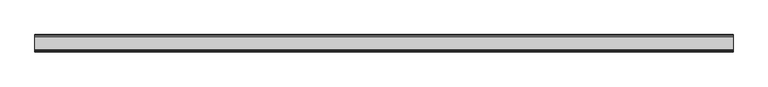
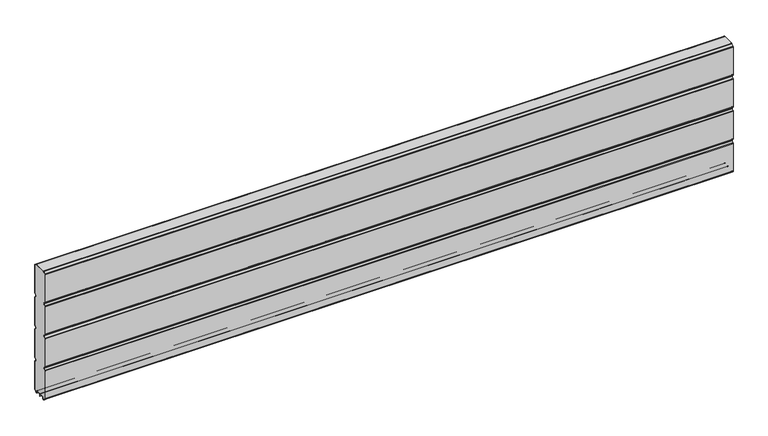
"""IFC4 building model written with IfcOpenShell, lengths in millimetres: plate geometry."""

from ifc_helpers import new_model, si_unit, point, frame, frame_2d, origin, place, context, project, spatial, polyline, circle_curve, trimmed, segment, composite_curve, outline, extrude, source, transform, mapped, element, save


def plate_e9997d68(model_context):
    return source(origin(), model_context, "Body", "SweptSolid", [
        extrude(outline(composite_curve([segment(polyline([(-29.2650466, 451.7624879), (-35.7138292, 458.2112702)]), True, "CONTINUOUS"), segment(trimmed(circle_curve(frame_2d((-34.2991913, 459.6259081)), 2.0006001), [point((-35.7138292, 458.2112702))], [point((-36.2997914, 459.6259081))], False, "CARTESIAN"), True, "CONTINUOUS"), segment(polyline([(-36.2997914, 459.6259081), (-36.2997914, 588.874925)]), True, "CONTINUOUS"), segment(trimmed(circle_curve(frame_2d((-34.3025404, 588.8763112)), 1.9972515), [point((-36.2997914, 588.874925))], [point((-35.7145328, 590.2888589))], False, "CARTESIAN"), True, "CONTINUOUS"), segment(polyline([(-35.7145328, 590.2888589), (-27.7860861, 598.2141893)]), True, "CONTINUOUS"), segment(trimmed(circle_curve(frame_2d((-26.3717262, 596.7992733)), 2.0006002), [point((-27.7860861, 598.2141893))], [point((-26.3717262, 598.7998734))], False, "CARTESIAN"), True, "CONTINUOUS"), segment(polyline([(-26.3717262, 598.7998734), (26.3717262, 598.7998734)]), True, "CONTINUOUS"), segment(trimmed(circle_curve(frame_2d((26.3717262, 596.7992733)), 2.0006002), [point((26.3717262, 598.7998734))], [point((27.7860861, 598.2141893))], False, "CARTESIAN"), True, "CONTINUOUS"), segment(polyline([(27.7860861, 598.2141893), (35.7145328, 590.2888589)]), True, "CONTINUOUS"), segment(trimmed(circle_curve(frame_2d((34.3025404, 588.8763112)), 1.9972515), [point((35.7145328, 590.2888589))], [point((36.2997914, 588.874925))], False, "CARTESIAN"), True, "CONTINUOUS"), segment(polyline([(36.2997914, 588.874925), (36.2997914, 459.6259081)]), True, "CONTINUOUS"), segment(trimmed(circle_curve(frame_2d((34.2991913, 459.6259081)), 2.0006001), [point((36.2997914, 459.6259081))], [point((35.7138292, 458.2112702))], False, "CARTESIAN"), True, "CONTINUOUS"), segment(polyline([(35.7138292, 458.2112702), (29.2650466, 451.7624879)]), True, "CONTINUOUS"), segment(trimmed(circle_curve(frame_2d((31.5325895, 449.4949449)), 3.20679), [point((29.2650466, 451.7624879))], [point((29.114664, 447.3884934))], True, "CARTESIAN"), True, "CONTINUOUS"), segment(polyline([(29.114664, 447.3884934), (35.7138291, 440.7893285)]), True, "CONTINUOUS"), segment(trimmed(circle_curve(frame_2d((34.2991912, 439.3746906)), 2.0006001), [point((35.7138291, 440.7893285))], [point((36.2997913, 439.3746906))], False, "CARTESIAN"), True, "CONTINUOUS"), segment(polyline([(36.2997913, 439.3746906), (36.2997913, 309.6259081)]), True, "CONTINUOUS"), segment(trimmed(circle_curve(frame_2d((34.2991912, 309.6259081)), 2.0006001), [point((36.2997913, 309.6259081))], [point((35.7138291, 308.2112702))], False, "CARTESIAN"), True, "CONTINUOUS"), segment(polyline([(35.7138291, 308.2112702), (29.2650466, 301.7624879)]), True, "CONTINUOUS"), segment(trimmed(circle_curve(frame_2d((31.5325895, 299.4949449)), 3.20679), [point((29.2650466, 301.7624879))], [point((29.4261379, 297.0770195))], True, "CARTESIAN"), True, "CONTINUOUS"), segment(polyline([(29.4261379, 297.0770195), (35.7138291, 290.7893285)]), True, "CONTINUOUS"), segment(trimmed(circle_curve(frame_2d((34.2991912, 289.3746906)), 2.0006001), [point((35.7138291, 290.7893285))], [point((36.2997913, 289.3746906))], False, "CARTESIAN"), True, "CONTINUOUS"), segment(polyline([(36.2997913, 289.3746906), (36.2997913, 159.6246474)]), True, "CONTINUOUS"), segment(trimmed(circle_curve(frame_2d((34.2991912, 159.6246474)), 2.0006001), [point((36.2997913, 159.6246474))], [point((35.7138291, 158.2100095))], False, "CARTESIAN"), True, "CONTINUOUS"), segment(polyline([(35.7138291, 158.2100095), (29.2650466, 151.7612271)]), True, "CONTINUOUS"), segment(trimmed(circle_curve(frame_2d((31.5325895, 149.4936842)), 3.20679), [point((29.2650466, 151.7612271))], [point((29.114664, 147.3872326))], True, "CARTESIAN"), True, "CONTINUOUS"), segment(polyline([(29.114664, 147.3872326), (35.7138292, 140.7880678)]), True, "CONTINUOUS"), segment(trimmed(circle_curve(frame_2d((34.2991912, 139.3734299)), 2.0006001), [point((35.7138292, 140.7880678))], [point((36.2997914, 139.3734299))], False, "CARTESIAN"), True, "CONTINUOUS"), segment(polyline([(36.2997914, 139.3734299), (36.2997914, 10.1250796)]), True, "CONTINUOUS"), segment(trimmed(circle_curve(frame_2d((34.299192, 10.1250796)), 2.0005994), [point((36.2997914, 10.1250796))], [point((35.7138294, 8.7104422))], False, "CARTESIAN"), True, "CONTINUOUS"), segment(polyline([(35.7138294, 8.7104422), (28.7893255, 1.7859383)]), True, "CONTINUOUS"), segment(trimmed(circle_curve(frame_2d((27.3158157, 3.2594482)), 2.0838576), [point((28.7893255, 1.7859383))], [point((25.2327947, 3.2004014))], False, "CARTESIAN"), True, "CONTINUOUS"), segment(polyline([(25.2327947, 3.2004014), (25.2327947, 7.9999453)]), True, "CONTINUOUS"), segment(trimmed(circle_curve(frame_2d((22.0323933, 7.9999453)), 3.2004014), [point((25.2327947, 7.9999453))], [point((22.0323933, 11.2003467))], True, "CARTESIAN"), True, "CONTINUOUS"), segment(polyline([(22.0323933, 11.2003467), (3.1993432, 11.2003467)]), True, "CONTINUOUS"), segment(trimmed(circle_curve(frame_2d((3.1993432, 8.0010035)), 3.1993432), [point((3.1993432, 11.2003467))], [point((0.0, 8.0010035))], True, "CARTESIAN"), True, "CONTINUOUS"), segment(trimmed(circle_curve(frame_2d((-3.1993432, 8.0010035)), 3.1993432), [point((0.0, 8.0010035))], [point((-3.1993432, 11.2003467))], True, "CARTESIAN"), True, "CONTINUOUS"), segment(polyline([(-3.1993432, 11.2003467), (-22.0323933, 11.2003467)]), True, "CONTINUOUS"), segment(trimmed(circle_curve(frame_2d((-22.0323933, 7.9999453)), 3.2004014), [point((-22.0323933, 11.2003467))], [point((-25.2327947, 7.9999453))], True, "CARTESIAN"), True, "CONTINUOUS"), segment(polyline([(-25.2327947, 7.9999453), (-25.2327947, 3.2004014)]), True, "CONTINUOUS"), segment(trimmed(circle_curve(frame_2d((-27.3158157, 3.2594482)), 2.0838576), [point((-25.2327947, 3.2004014))], [point((-28.7893255, 1.7859383))], False, "CARTESIAN"), True, "CONTINUOUS"), segment(polyline([(-28.7893255, 1.7859383), (-35.7138294, 8.7104422)]), True, "CONTINUOUS"), segment(trimmed(circle_curve(frame_2d((-34.299192, 10.1250796)), 2.0005994), [point((-35.7138294, 8.7104422))], [point((-36.2997914, 10.1250796))], False, "CARTESIAN"), True, "CONTINUOUS"), segment(polyline([(-36.2997914, 10.1250796), (-36.2997914, 139.3734299)]), True, "CONTINUOUS"), segment(trimmed(circle_curve(frame_2d((-34.2991912, 139.3734299)), 2.0006001), [point((-36.2997914, 139.3734299))], [point((-35.7138292, 140.7880678))], False, "CARTESIAN"), True, "CONTINUOUS"), segment(polyline([(-35.7138292, 140.7880678), (-29.114664, 147.3872326)]), True, "CONTINUOUS"), segment(trimmed(circle_curve(frame_2d((-31.5325895, 149.4936842)), 3.20679), [point((-29.114664, 147.3872326))], [point((-29.2650466, 151.7612271))], True, "CARTESIAN"), True, "CONTINUOUS"), segment(polyline([(-29.2650466, 151.7612271), (-35.7138291, 158.2100095)]), True, "CONTINUOUS"), segment(trimmed(circle_curve(frame_2d((-34.2991912, 159.6246474)), 2.0006001), [point((-35.7138291, 158.2100095))], [point((-36.2997913, 159.6246474))], False, "CARTESIAN"), True, "CONTINUOUS"), segment(polyline([(-36.2997913, 159.6246474), (-36.2997913, 289.3746906)]), True, "CONTINUOUS"), segment(trimmed(circle_curve(frame_2d((-34.2991912, 289.3746906)), 2.0006001), [point((-36.2997913, 289.3746906))], [point((-35.7138291, 290.7893285))], False, "CARTESIAN"), True, "CONTINUOUS"), segment(polyline([(-35.7138291, 290.7893285), (-29.4261379, 297.0770195)]), True, "CONTINUOUS"), segment(trimmed(circle_curve(frame_2d((-31.5325895, 299.4949449)), 3.20679), [point((-29.4261379, 297.0770195))], [point((-29.2650466, 301.7624879))], True, "CARTESIAN"), True, "CONTINUOUS"), segment(polyline([(-29.2650466, 301.7624879), (-35.7138291, 308.2112702)]), True, "CONTINUOUS"), segment(trimmed(circle_curve(frame_2d((-34.2991912, 309.6259081)), 2.0006001), [point((-35.7138291, 308.2112702))], [point((-36.2997913, 309.6259081))], False, "CARTESIAN"), True, "CONTINUOUS"), segment(polyline([(-36.2997913, 309.6259081), (-36.2997913, 439.3746906)]), True, "CONTINUOUS"), segment(trimmed(circle_curve(frame_2d((-34.2991912, 439.3746906)), 2.0006001), [point((-36.2997913, 439.3746906))], [point((-35.7138291, 440.7893285))], False, "CARTESIAN"), True, "CONTINUOUS"), segment(polyline([(-35.7138291, 440.7893285), (-29.114664, 447.3884934)]), True, "CONTINUOUS"), segment(trimmed(circle_curve(frame_2d((-31.5325895, 449.4949449)), 3.20679), [point((-29.114664, 447.3884934))], [point((-29.2650466, 451.7624879))], True, "CARTESIAN"), True, "CONTINUOUS")], self_intersect=False)), frame((-1516.85, 0.0, 0.0), z_axis=(1.0, 0.0, 0.0), x_axis=(0.0, 1.0, 0.0)), (0.0, 0.0, 1.0), 3033.7),
        extrude(outline(composite_curve([segment(trimmed(circle_curve(frame_2d((-34.299418, 588.8742584)), 3.200524), [point((-37.499942, 588.8742584))], [point((-36.5622582, 591.1376426))], False, "CARTESIAN"), True, "CONTINUOUS"), segment(polyline([(-36.5622582, 591.1376426), (-28.6355395, 599.0624563)]), True, "CONTINUOUS"), segment(trimmed(circle_curve(frame_2d((-26.3720296, 596.7984023)), 3.2014711), [point((-28.6355395, 599.0624563))], [point((-26.3720296, 599.9998734))], False, "CARTESIAN"), True, "CONTINUOUS"), segment(polyline([(-26.3720296, 599.9998734), (26.3720296, 599.9998734)]), True, "CONTINUOUS"), segment(trimmed(circle_curve(frame_2d((26.3720296, 596.7984023)), 3.2014711), [point((26.3720296, 599.9998734))], [point((28.6355395, 599.0624563))], False, "CARTESIAN"), True, "CONTINUOUS"), segment(polyline([(28.6355395, 599.0624563), (36.5622582, 591.1376426)]), True, "CONTINUOUS"), segment(trimmed(circle_curve(frame_2d((34.299418, 588.8742584)), 3.200524), [point((36.5622582, 591.1376426))], [point((37.499942, 588.8742584))], False, "CARTESIAN"), True, "CONTINUOUS"), segment(polyline([(37.499942, 588.8742584), (37.499942, 459.6259081)]), True, "CONTINUOUS"), segment(trimmed(circle_curve(frame_2d((34.3010265, 459.6259081)), 3.1989155), [point((37.499942, 459.6259081))], [point((36.5630013, 457.3639333))], False, "CARTESIAN"), True, "CONTINUOUS"), segment(polyline([(36.5630013, 457.3639333), (30.1138303, 450.9147625)]), True, "CONTINUOUS"), segment(trimmed(circle_curve(frame_2d((31.5282934, 449.5002993)), 2.000353), [point((30.1138303, 450.9147625))], [point((30.1138303, 448.0858362))], True, "CARTESIAN"), True, "CONTINUOUS"), segment(polyline([(30.1138303, 448.0858362), (36.5630013, 441.6366654)]), True, "CONTINUOUS"), segment(trimmed(circle_curve(frame_2d((34.3010265, 439.3746906)), 3.1989154), [point((36.5630013, 441.6366654))], [point((37.4999419, 439.3746906))], False, "CARTESIAN"), True, "CONTINUOUS"), segment(polyline([(37.4999419, 439.3746906), (37.4999419, 309.6259081)]), True, "CONTINUOUS"), segment(trimmed(circle_curve(frame_2d((34.3010265, 309.6259081)), 3.1989154), [point((37.4999419, 309.6259081))], [point((36.5630013, 307.3639333))], False, "CARTESIAN"), True, "CONTINUOUS"), segment(polyline([(36.5630013, 307.3639333), (30.1138303, 300.9147625)]), True, "CONTINUOUS"), segment(trimmed(circle_curve(frame_2d((31.5282934, 299.5002993)), 2.000353), [point((30.1138303, 300.9147625))], [point((30.1138303, 298.0858362))], True, "CARTESIAN"), True, "CONTINUOUS"), segment(polyline([(30.1138303, 298.0858362), (36.5630013, 291.6366654)]), True, "CONTINUOUS"), segment(trimmed(circle_curve(frame_2d((34.3010265, 289.3746906)), 3.1989154), [point((36.5630013, 291.6366654))], [point((37.4999419, 289.3746906))], False, "CARTESIAN"), True, "CONTINUOUS"), segment(polyline([(37.4999419, 289.3746906), (37.4999419, 159.6246474)]), True, "CONTINUOUS"), segment(trimmed(circle_curve(frame_2d((34.3010265, 159.6246474)), 3.1989154), [point((37.4999419, 159.6246474))], [point((36.5630013, 157.3626726))], False, "CARTESIAN"), True, "CONTINUOUS"), segment(polyline([(36.5630013, 157.3626726), (30.1138303, 150.9135018)]), True, "CONTINUOUS"), segment(trimmed(circle_curve(frame_2d((31.5282934, 149.4990386)), 2.000353), [point((30.1138303, 150.9135018))], [point((30.1138303, 148.0845755))], True, "CARTESIAN"), True, "CONTINUOUS"), segment(polyline([(30.1138303, 148.0845755), (36.5630013, 141.6354046)]), True, "CONTINUOUS"), segment(trimmed(circle_curve(frame_2d((34.3010265, 139.3734298)), 3.1989154), [point((36.5630013, 141.6354046))], [point((37.4999419, 139.3734298))], False, "CARTESIAN"), True, "CONTINUOUS"), segment(polyline([(37.4999419, 139.3734298), (37.4999419, 10.1250796)]), True, "CONTINUOUS"), segment(trimmed(circle_curve(frame_2d((34.3010265, 10.1250796)), 3.1989154), [point((37.4999419, 10.1250796))], [point((36.5630004, 7.8631039))], False, "CARTESIAN"), True, "CONTINUOUS"), segment(polyline([(36.5630004, 7.8631039), (29.6332576, 0.9333666)]), True, "CONTINUOUS"), segment(trimmed(circle_curve(frame_2d((27.311397, 3.255229)), 3.283608), [point((29.6332576, 0.9333666))], [point((24.0283217, 3.1960843))], False, "CARTESIAN"), True, "CONTINUOUS"), segment(polyline([(24.0283217, 3.1960843), (24.0326442, 7.9999453)]), True, "CONTINUOUS"), segment(trimmed(circle_curve(frame_2d((22.0341915, 8.0017435)), 1.9984535), [point((24.0326442, 7.9999453))], [point((22.0323933, 10.0001962))], True, "CARTESIAN"), True, "CONTINUOUS"), segment(polyline([(22.0323933, 10.0001962), (3.1993432, 10.0001962)]), True, "CONTINUOUS"), segment(trimmed(circle_curve(frame_2d((3.1993432, 8.0010035)), 1.9991927), [point((3.1993432, 10.0001962))], [point((1.2001505, 8.0010035))], True, "CARTESIAN"), True, "CONTINUOUS"), segment(polyline([(1.2001505, 8.0010035), (1.2001504, 0.0), (0.0, 0.0), (-1.2001504, 0.0), (-1.2001504, 8.0010034)]), True, "CONTINUOUS"), segment(trimmed(circle_curve(frame_2d((-3.1993432, 8.0010035)), 1.9991928), [point((-1.2001504, 8.0010034))], [point((-3.1993432, 10.0001963))], True, "CARTESIAN"), True, "CONTINUOUS"), segment(polyline([(-3.1993432, 10.0001963), (-22.0323933, 10.0001962)]), True, "CONTINUOUS"), segment(trimmed(circle_curve(frame_2d((-22.0341915, 8.0017435)), 1.9984535), [point((-22.0323933, 10.0001962))], [point((-24.0326442, 7.9999453))], True, "CARTESIAN"), True, "CONTINUOUS"), segment(polyline([(-24.0326442, 7.9999453), (-24.0283217, 3.1960843)]), True, "CONTINUOUS"), segment(trimmed(circle_curve(frame_2d((-27.311397, 3.255229)), 3.283608), [point((-24.0283217, 3.1960843))], [point((-29.6332576, 0.9333666))], False, "CARTESIAN"), True, "CONTINUOUS"), segment(polyline([(-29.6332576, 0.9333666), (-36.5630004, 7.8631039)]), True, "CONTINUOUS"), segment(trimmed(circle_curve(frame_2d((-34.3010265, 10.1250796)), 3.1989154), [point((-36.5630004, 7.8631039))], [point((-37.4999419, 10.1250796))], False, "CARTESIAN"), True, "CONTINUOUS"), segment(polyline([(-37.4999419, 10.1250796), (-37.4999419, 139.3734298)]), True, "CONTINUOUS"), segment(trimmed(circle_curve(frame_2d((-34.3010265, 139.3734298)), 3.1989154), [point((-37.4999419, 139.3734298))], [point((-36.5630013, 141.6354046))], False, "CARTESIAN"), True, "CONTINUOUS"), segment(polyline([(-36.5630013, 141.6354046), (-30.1138303, 148.0845755)]), True, "CONTINUOUS"), segment(trimmed(circle_curve(frame_2d((-31.5282934, 149.4990386)), 2.000353), [point((-30.1138303, 148.0845755))], [point((-30.1138303, 150.9135018))], True, "CARTESIAN"), True, "CONTINUOUS"), segment(polyline([(-30.1138303, 150.9135018), (-36.5630013, 157.3626726)]), True, "CONTINUOUS"), segment(trimmed(circle_curve(frame_2d((-34.3010265, 159.6246474)), 3.1989154), [point((-36.5630013, 157.3626726))], [point((-37.4999419, 159.6246474))], False, "CARTESIAN"), True, "CONTINUOUS"), segment(polyline([(-37.4999419, 159.6246474), (-37.4999419, 289.3746906)]), True, "CONTINUOUS"), segment(trimmed(circle_curve(frame_2d((-34.3010265, 289.3746906)), 3.1989154), [point((-37.4999419, 289.3746906))], [point((-36.5630013, 291.6366653))], False, "CARTESIAN"), True, "CONTINUOUS"), segment(polyline([(-36.5630013, 291.6366653), (-30.1138303, 298.0858362)]), True, "CONTINUOUS"), segment(trimmed(circle_curve(frame_2d((-31.5282934, 299.5002993)), 2.000353), [point((-30.1138303, 298.0858362))], [point((-30.1138303, 300.9147625))], True, "CARTESIAN"), True, "CONTINUOUS"), segment(polyline([(-30.1138303, 300.9147625), (-36.5630013, 307.3639333)]), True, "CONTINUOUS"), segment(trimmed(circle_curve(frame_2d((-34.3010265, 309.6259081)), 3.1989154), [point((-36.5630013, 307.3639333))], [point((-37.4999419, 309.6259081))], False, "CARTESIAN"), True, "CONTINUOUS"), segment(polyline([(-37.4999419, 309.6259081), (-37.4999419, 439.3746906)]), True, "CONTINUOUS"), segment(trimmed(circle_curve(frame_2d((-34.3010265, 439.3746906)), 3.1989154), [point((-37.4999419, 439.3746906))], [point((-36.5630013, 441.6366653))], False, "CARTESIAN"), True, "CONTINUOUS"), segment(polyline([(-36.5630013, 441.6366653), (-30.1138303, 448.0858362)]), True, "CONTINUOUS"), segment(trimmed(circle_curve(frame_2d((-31.5282934, 449.5002993)), 2.000353), [point((-30.1138303, 448.0858362))], [point((-30.1138303, 450.9147625))], True, "CARTESIAN"), True, "CONTINUOUS"), segment(polyline([(-30.1138303, 450.9147625), (-36.5630013, 457.3639333)]), True, "CONTINUOUS"), segment(trimmed(circle_curve(frame_2d((-34.3010265, 459.6259081)), 3.1989155), [point((-36.5630013, 457.3639333))], [point((-37.499942, 459.6259081))], False, "CARTESIAN"), True, "CONTINUOUS"), segment(polyline([(-37.499942, 459.6259081), (-37.499942, 588.8742584)]), True, "CONTINUOUS")], self_intersect=False), holes=[composite_curve([segment(trimmed(circle_curve(frame_2d((-31.5325895, 449.4949449)), 3.20679), [point((-29.2650466, 451.7624879))], [point((-29.114664, 447.3884934))], False, "CARTESIAN"), True, "CONTINUOUS"), segment(polyline([(-29.114664, 447.3884934), (-35.7138291, 440.7893285)]), True, "CONTINUOUS"), segment(trimmed(circle_curve(frame_2d((-34.2991912, 439.3746906)), 2.0006001), [point((-35.7138291, 440.7893285))], [point((-36.2997913, 439.3746906))], True, "CARTESIAN"), True, "CONTINUOUS"), segment(polyline([(-36.2997913, 439.3746906), (-36.2997913, 309.6259081)]), True, "CONTINUOUS"), segment(trimmed(circle_curve(frame_2d((-34.2991912, 309.6259081)), 2.0006001), [point((-36.2997913, 309.6259081))], [point((-35.7138291, 308.2112702))], True, "CARTESIAN"), True, "CONTINUOUS"), segment(polyline([(-35.7138291, 308.2112702), (-29.2650466, 301.7624879)]), True, "CONTINUOUS"), segment(trimmed(circle_curve(frame_2d((-31.5325895, 299.4949449)), 3.20679), [point((-29.2650466, 301.7624879))], [point((-29.4261379, 297.0770195))], False, "CARTESIAN"), True, "CONTINUOUS"), segment(polyline([(-29.4261379, 297.0770195), (-35.7138291, 290.7893285)]), True, "CONTINUOUS"), segment(trimmed(circle_curve(frame_2d((-34.2991912, 289.3746906)), 2.0006001), [point((-35.7138291, 290.7893285))], [point((-36.2997913, 289.3746906))], True, "CARTESIAN"), True, "CONTINUOUS"), segment(polyline([(-36.2997913, 289.3746906), (-36.2997913, 159.6246474)]), True, "CONTINUOUS"), segment(trimmed(circle_curve(frame_2d((-34.2991912, 159.6246474)), 2.0006001), [point((-36.2997913, 159.6246474))], [point((-35.7138291, 158.2100095))], True, "CARTESIAN"), True, "CONTINUOUS"), segment(polyline([(-35.7138291, 158.2100095), (-29.2650466, 151.7612271)]), True, "CONTINUOUS"), segment(trimmed(circle_curve(frame_2d((-31.5325895, 149.4936842)), 3.20679), [point((-29.2650466, 151.7612271))], [point((-29.114664, 147.3872326))], False, "CARTESIAN"), True, "CONTINUOUS"), segment(polyline([(-29.114664, 147.3872326), (-35.7138292, 140.7880677)]), True, "CONTINUOUS"), segment(trimmed(circle_curve(frame_2d((-34.2991912, 139.3734298)), 2.0006001), [point((-35.7138292, 140.7880677))], [point((-36.2997914, 139.3734298))], True, "CARTESIAN"), True, "CONTINUOUS"), segment(polyline([(-36.2997914, 139.3734298), (-36.2997914, 10.1250796)]), True, "CONTINUOUS"), segment(trimmed(circle_curve(frame_2d((-34.299192, 10.1250796)), 2.0005994), [point((-36.2997914, 10.1250796))], [point((-35.7138294, 8.7104422))], True, "CARTESIAN"), True, "CONTINUOUS"), segment(polyline([(-35.7138294, 8.7104422), (-28.7893255, 1.7859383)]), True, "CONTINUOUS"), segment(trimmed(circle_curve(frame_2d((-27.3158157, 3.2594482)), 2.0838576), [point((-28.7893255, 1.7859383))], [point((-25.2327947, 3.2004014))], True, "CARTESIAN"), True, "CONTINUOUS"), segment(polyline([(-25.2327947, 3.2004014), (-25.2327947, 7.9999453)]), True, "CONTINUOUS"), segment(trimmed(circle_curve(frame_2d((-22.0323933, 7.9999453)), 3.2004014), [point((-25.2327947, 7.9999453))], [point((-22.0323933, 11.2003467))], False, "CARTESIAN"), True, "CONTINUOUS"), segment(polyline([(-22.0323933, 11.2003467), (-3.1993432, 11.2003467)]), True, "CONTINUOUS"), segment(trimmed(circle_curve(frame_2d((-3.1993432, 8.0010035)), 3.1993432), [point((-3.1993432, 11.2003467))], [point((0.0, 8.0010035))], False, "CARTESIAN"), True, "CONTINUOUS"), segment(trimmed(circle_curve(frame_2d((3.1993432, 8.0010035)), 3.1993432), [point((0.0, 8.0010035))], [point((3.1993432, 11.2003467))], False, "CARTESIAN"), True, "CONTINUOUS"), segment(polyline([(3.1993432, 11.2003467), (22.0323933, 11.2003467)]), True, "CONTINUOUS"), segment(trimmed(circle_curve(frame_2d((22.0323933, 7.9999453)), 3.2004014), [point((22.0323933, 11.2003467))], [point((25.2327947, 7.9999453))], False, "CARTESIAN"), True, "CONTINUOUS"), segment(polyline([(25.2327947, 7.9999453), (25.2327947, 3.2004014)]), True, "CONTINUOUS"), segment(trimmed(circle_curve(frame_2d((27.3158157, 3.2594482)), 2.0838576), [point((25.2327947, 3.2004014))], [point((28.7893255, 1.7859383))], True, "CARTESIAN"), True, "CONTINUOUS"), segment(polyline([(28.7893255, 1.7859383), (35.7138294, 8.7104422)]), True, "CONTINUOUS"), segment(trimmed(circle_curve(frame_2d((34.299192, 10.1250796)), 2.0005994), [point((35.7138294, 8.7104422))], [point((36.2997914, 10.1250796))], True, "CARTESIAN"), True, "CONTINUOUS"), segment(polyline([(36.2997914, 10.1250796), (36.2997914, 139.3734298)]), True, "CONTINUOUS"), segment(trimmed(circle_curve(frame_2d((34.2991912, 139.3734298)), 2.0006001), [point((36.2997914, 139.3734298))], [point((35.7138292, 140.7880678))], True, "CARTESIAN"), True, "CONTINUOUS"), segment(polyline([(35.7138292, 140.7880678), (29.114664, 147.3872326)]), True, "CONTINUOUS"), segment(trimmed(circle_curve(frame_2d((31.5325895, 149.4936842)), 3.20679), [point((29.114664, 147.3872326))], [point((29.2650466, 151.7612271))], False, "CARTESIAN"), True, "CONTINUOUS"), segment(polyline([(29.2650466, 151.7612271), (35.7138291, 158.2100095)]), True, "CONTINUOUS"), segment(trimmed(circle_curve(frame_2d((34.2991912, 159.6246474)), 2.0006001), [point((35.7138291, 158.2100095))], [point((36.2997913, 159.6246474))], True, "CARTESIAN"), True, "CONTINUOUS"), segment(polyline([(36.2997913, 159.6246474), (36.2997913, 289.3746906)]), True, "CONTINUOUS"), segment(trimmed(circle_curve(frame_2d((34.2991912, 289.3746906)), 2.0006001), [point((36.2997913, 289.3746906))], [point((35.7138291, 290.7893285))], True, "CARTESIAN"), True, "CONTINUOUS"), segment(polyline([(35.7138291, 290.7893285), (29.4261379, 297.0770195)]), True, "CONTINUOUS"), segment(trimmed(circle_curve(frame_2d((31.5325895, 299.4949449)), 3.20679), [point((29.4261379, 297.0770195))], [point((29.2650466, 301.7624879))], False, "CARTESIAN"), True, "CONTINUOUS"), segment(polyline([(29.2650466, 301.7624879), (35.7138291, 308.2112702)]), True, "CONTINUOUS"), segment(trimmed(circle_curve(frame_2d((34.2991912, 309.6259081)), 2.0006001), [point((35.7138291, 308.2112702))], [point((36.2997913, 309.6259081))], True, "CARTESIAN"), True, "CONTINUOUS"), segment(polyline([(36.2997913, 309.6259081), (36.2997913, 439.3746906)]), True, "CONTINUOUS"), segment(trimmed(circle_curve(frame_2d((34.2991912, 439.3746906)), 2.0006001), [point((36.2997913, 439.3746906))], [point((35.7138291, 440.7893285))], True, "CARTESIAN"), True, "CONTINUOUS"), segment(polyline([(35.7138291, 440.7893285), (29.114664, 447.3884934)]), True, "CONTINUOUS"), segment(trimmed(circle_curve(frame_2d((31.5325895, 449.4949449)), 3.20679), [point((29.114664, 447.3884934))], [point((29.2650466, 451.7624879))], False, "CARTESIAN"), True, "CONTINUOUS"), segment(polyline([(29.2650466, 451.7624879), (35.7138292, 458.2112702)]), True, "CONTINUOUS"), segment(trimmed(circle_curve(frame_2d((34.2991913, 459.6259081)), 2.0006001), [point((35.7138292, 458.2112702))], [point((36.2997914, 459.6259081))], True, "CARTESIAN"), True, "CONTINUOUS"), segment(polyline([(36.2997914, 459.6259081), (36.2997914, 588.874925)]), True, "CONTINUOUS"), segment(trimmed(circle_curve(frame_2d((34.3025404, 588.8763112)), 1.9972515), [point((36.2997914, 588.874925))], [point((35.7145328, 590.2888589))], True, "CARTESIAN"), True, "CONTINUOUS"), segment(polyline([(35.7145328, 590.2888589), (27.7860861, 598.2141893)]), True, "CONTINUOUS"), segment(trimmed(circle_curve(frame_2d((26.3717262, 596.7992733)), 2.0006002), [point((27.7860861, 598.2141893))], [point((26.3717262, 598.7998734))], True, "CARTESIAN"), True, "CONTINUOUS"), segment(polyline([(26.3717262, 598.7998734), (-26.3717262, 598.7998734)]), True, "CONTINUOUS"), segment(trimmed(circle_curve(frame_2d((-26.3717262, 596.7992733)), 2.0006002), [point((-26.3717262, 598.7998734))], [point((-27.7860861, 598.2141893))], True, "CARTESIAN"), True, "CONTINUOUS"), segment(polyline([(-27.7860861, 598.2141893), (-35.7145328, 590.2888589)]), True, "CONTINUOUS"), segment(trimmed(circle_curve(frame_2d((-34.3025404, 588.8763112)), 1.9972515), [point((-35.7145328, 590.2888589))], [point((-36.2997914, 588.874925))], True, "CARTESIAN"), True, "CONTINUOUS"), segment(polyline([(-36.2997914, 588.874925), (-36.2997914, 459.6259081)]), True, "CONTINUOUS"), segment(trimmed(circle_curve(frame_2d((-34.2991913, 459.6259081)), 2.0006001), [point((-36.2997914, 459.6259081))], [point((-35.7138292, 458.2112702))], True, "CARTESIAN"), True, "CONTINUOUS"), segment(polyline([(-35.7138292, 458.2112702), (-29.2650466, 451.7624879)]), True, "CONTINUOUS")], self_intersect=False)]), frame((-1516.85, 0.0, 0.0), z_axis=(1.0, 0.0, 0.0), x_axis=(0.0, 1.0, 0.0)), (0.0, 0.0, 1.0), 3033.7),
    ])


if __name__ == "__main__":
    model = new_model("IFC4")
    model_context = context("Model", 3, world=origin())
    ifc_project = project(units=[si_unit("LENGTHUNIT", "METRE", prefix="MILLI")], contexts=[model_context])
    site = spatial("IfcSite", under=ifc_project)
    building = spatial("IfcBuilding", under=site)
    placement = place(None, origin())
    plate_shape = plate_e9997d68(model_context)
    element("IfcPlate", 1, at=placement, inside=building, context=model_context, shape_type="MappedRepresentation", body=[
        mapped(plate_shape, transform((0.0, 0.0, 0.0), x_axis=(1.0, 0.0, 0.0), y_axis=(0.0, 1.0, 0.0), z_axis=(0.0, 0.0, 1.0))),
    ])
    save(model, "model.ifc")
